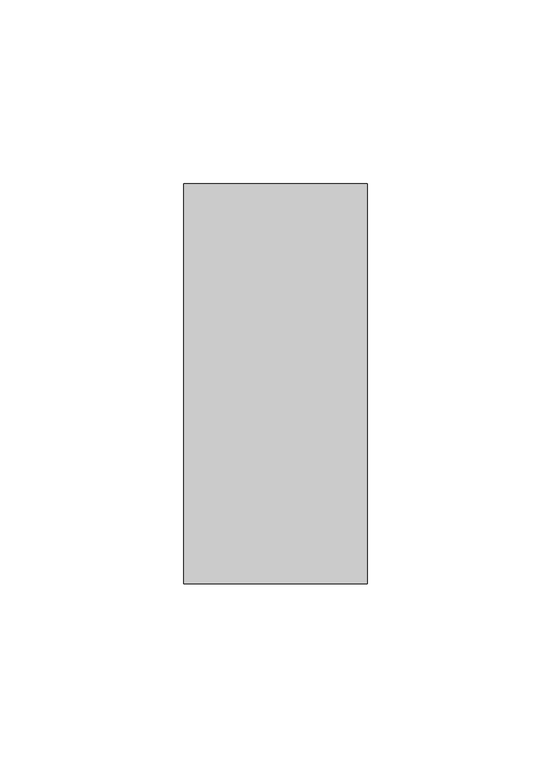
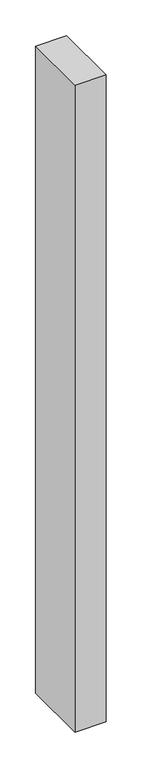
"""IFC4 building model written with IfcOpenShell, lengths in millimetres: member geometry."""

from ifc_helpers import new_model, si_unit, frame, origin, place, context, project, spatial, polyline, outline, extrude, source, transform, mapped, element, save


def member_6f2677a6(model_context):
    return source(origin(), model_context, "Body", "SweptSolid", [
        extrude(outline(polyline([(-25.0, -18.0), (-25.0, 91.0), (25.0, 91.0), (25.0, -18.0), (-25.0, -18.0)])), frame((0.0, 0.0, -1099.9999997), z_axis=(0.0, 0.0, 1.0), x_axis=(1.0, 0.0, 0.0)), (0.0, 0.0, 1.0), 1099.9999997),
    ])


if __name__ == "__main__":
    model = new_model("IFC4")
    model_context = context("Model", 3, world=origin())
    ifc_project = project(units=[si_unit("LENGTHUNIT", "METRE", prefix="MILLI")], contexts=[model_context])
    site = spatial("IfcSite", under=ifc_project)
    building = spatial("IfcBuilding", under=site)
    placement = place(None, origin())
    member_shape = member_6f2677a6(model_context)
    element("IfcMember", 1, at=placement, inside=building, context=model_context, shape_type="MappedRepresentation", body=[
        mapped(member_shape, transform((0.0, 0.0, 0.0), x_axis=(1.0, 0.0, 0.0), y_axis=(0.0, 1.0, 0.0), z_axis=(0.0, 0.0, 1.0))),
    ])
    save(model, "model.ifc")
